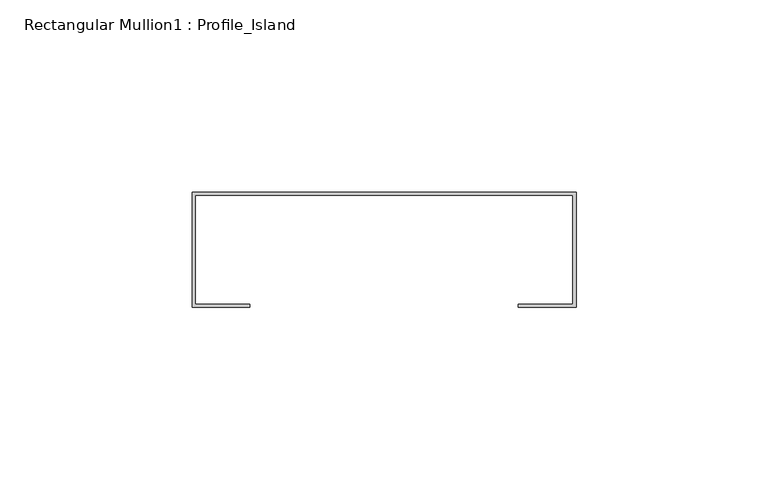
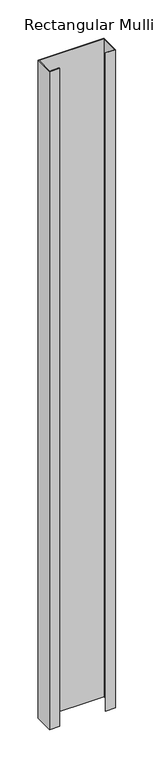
"""IFC4 building model written with IfcOpenShell, lengths in millimetres: member geometry, Rectangular Mullion1 : Profile_Island."""

from ifc_helpers import new_model, si_unit, frame, origin, place, context, project, spatial, polyline, outline, extrude, source, transform, mapped, element, save


def rectangular_mullion1_profile_island_76107a5f(model_context):
    return source(origin(), model_context, "Body", "SweptSolid", [
        extrude(outline(polyline([(0.0, 32.0), (0.0, 2.0), (-15.0, 2.0), (-15.0, 2.8), (-0.8, 2.8), (-0.8, 31.2), (-99.2, 31.2), (-99.2, 2.8), (-85.0, 2.8), (-85.0, 2.0), (-100.0, 2.0), (-100.0, 32.0), (0.0, 32.0)])), frame((0.0, 0.0, -1050.8), z_axis=(0.0, 0.0, 1.0), x_axis=(1.0, 0.0, 0.0)), (0.0, 0.0, 1.0), 1050.8),
    ])


if __name__ == "__main__":
    model = new_model("IFC4")
    model_context = context("Model", 3, world=origin())
    ifc_project = project(units=[si_unit("LENGTHUNIT", "METRE", prefix="MILLI")], contexts=[model_context])
    site = spatial("IfcSite", under=ifc_project)
    building = spatial("IfcBuilding", under=site)
    placement = place(None, origin())
    rectangular_mullion1_profile_island_shape = rectangular_mullion1_profile_island_76107a5f(model_context)
    element("IfcMember", 1, ObjectType="Rectangular Mullion1 : Profile_Island", at=placement, inside=building, context=model_context, shape_type="MappedRepresentation", body=[
        mapped(rectangular_mullion1_profile_island_shape, transform((0.0, 0.0, 0.0), x_axis=(1.0, 0.0, 0.0), y_axis=(0.0, 1.0, 0.0), z_axis=(0.0, 0.0, 1.0))),
    ])
    save(model, "model.ifc")
